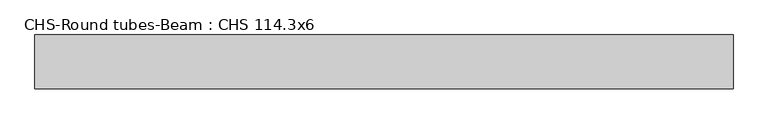
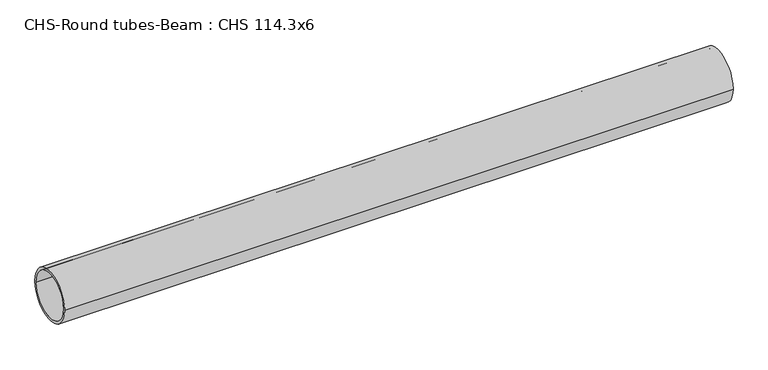
"""IFC4 building model written with IfcOpenShell, lengths in millimetres: beam geometry, CHS-Round tubes-Beam : CHS 114.3x6."""

from ifc_helpers import new_model, si_unit, point, frame, origin, origin_2d, place, context, project, spatial, circle_curve, trimmed, segment, composite_curve, outline, extrude, source, transform, mapped, element, save


def chs_round_tubes_beam_chs_114_3x6_3193f0dc(model_context):
    return source(origin(), model_context, "Body", "SweptSolid", [
        extrude(outline(composite_curve([segment(trimmed(circle_curve(origin_2d(), 57.15), [point((57.15, 0.0))], [point((-57.15, 0.0))], False, "CARTESIAN"), True, "CONTINUOUS"), segment(trimmed(circle_curve(origin_2d(), 57.15), [point((-57.15, 0.0))], [point((57.15, 0.0))], False, "CARTESIAN"), True, "CONTINUOUS")], self_intersect=False), holes=[composite_curve([segment(trimmed(circle_curve(origin_2d(), 51.15), [point((51.15, 0.0))], [point((-51.15, 0.0))], True, "CARTESIAN"), True, "CONTINUOUS"), segment(trimmed(circle_curve(origin_2d(), 51.15), [point((-51.15, 0.0))], [point((51.15, 0.0))], True, "CARTESIAN"), True, "CONTINUOUS")], self_intersect=False)]), frame((-700.9440385, 0.0, 0.0), z_axis=(1.0, 0.0, 0.0), x_axis=(0.0, 1.0, 0.0)), (0.0, 0.0, 1.0), 1477.738365),
    ])


if __name__ == "__main__":
    model = new_model("IFC4")
    model_context = context("Model", 3, world=origin())
    ifc_project = project(units=[si_unit("LENGTHUNIT", "METRE", prefix="MILLI")], contexts=[model_context])
    site = spatial("IfcSite", under=ifc_project)
    building = spatial("IfcBuilding", under=site)
    placement = place(None, origin())
    chs_round_tubes_beam_chs_114_3x6_shape = chs_round_tubes_beam_chs_114_3x6_3193f0dc(model_context)
    element("IfcBeam", 1, ObjectType="CHS-Round tubes-Beam : CHS 114.3x6", at=placement, inside=building, context=model_context, shape_type="MappedRepresentation", body=[
        mapped(chs_round_tubes_beam_chs_114_3x6_shape, transform((0.0, 0.0, 0.0), x_axis=(1.0, 0.0, 0.0), y_axis=(0.0, 1.0, 0.0), z_axis=(0.0, 0.0, 1.0))),
    ])
    save(model, "model.ifc")
